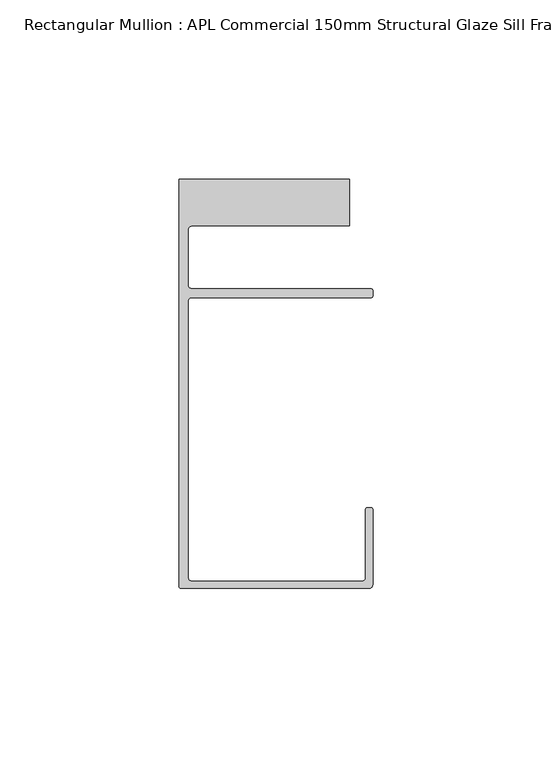
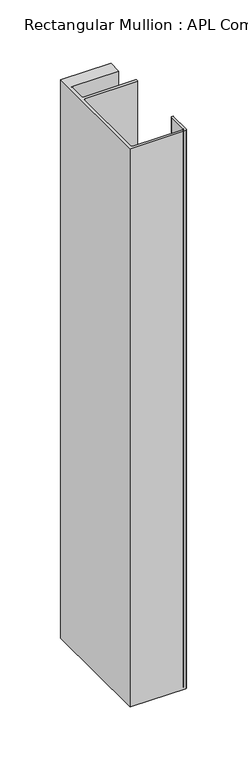
"""IFC4 building model written with IfcOpenShell, lengths in millimetres: member geometry, Rectangular Mullion : APL Commercial 150mm Structural Glaze Sill Frame (Back)."""

from ifc_helpers import new_model, si_unit, frame, origin, place, context, project, spatial, polyline, circle_curve, source, transform, mapped, element, save
from ifc_brep_helpers import plane_surface, cylinder_surface, revolved_surface, advanced_brep


def rectangular_mullion_apl_commercial_150mm_structural_glaze_94993b0b(model_context):
    return source(origin(), model_context, "Body", "AdvancedBrep", [
        advanced_brep(
        [(-53.5000083, -129.0001071, 0.0), (-1.0000079, -129.0001071, 0.0), (-7.9e-06, -128.0001071, 0.0), (0.0, -107.0001071, 0.0), (-0.5, -106.5001071, 0.0), (-1.4999822, -106.5001071, 0.0), (-1.9999822, -107.0001071, 0.0), (-1.9999982, -126.0001071, 0.0), (-2.9999982, -127.0001071, 0.0), (-50.5000083, -127.00011, 0.0), (-51.5000083, -126.00011, 0.0), (-51.5000225, -48.9999541, 0.0), (-50.482081, -48.000115, 0.0), (-0.5000012, -48.000115, 0.0), (-5.4e-06, -47.5021598, 0.0), (-5.4e-06, -46.0213357, 0.0), (-0.521387, -45.4999541, 0.0), (-50.500032, -45.4999541, 0.0), (-51.500032, -44.4999541, 0.0), (-51.500032, -29.0004332, 0.0), (-50.500032, -28.0004332, 0.0), (-6.5000083, -28.0004332, 0.0), (-6.5000083, -15.0004332, 0.0), (-54.0000083, -15.0004332, 0.0), (-54.0000083, -128.5001071, 0.0), (-53.5000083, -129.0001071, -559.2000713), (-54.0000083, -128.5001071, -559.2000713), (-54.0000083, -15.0004332, -559.2000713), (-6.5000083, -15.0004332, -559.2000713), (-6.5000083, -28.0004332, -559.2000713), (-50.500032, -28.0004332, -559.2000713), (-51.500032, -29.0004332, -559.2000713), (-51.500032, -44.4999541, -559.2000713), (-50.500032, -45.4999541, -559.2000713), (-0.521387, -45.4999541, -559.2000713), (-5.4e-06, -46.0213357, -559.2000713), (-5.4e-06, -47.5021598, -559.2000713), (-0.5000012, -48.000115, -559.2000713), (-50.482081, -48.000115, -559.2000713), (-51.5000225, -48.9999541, -559.2000713), (-51.5000225, -126.00011, -559.2000713), (-50.5000083, -127.00011, -559.2000713), (-2.9999982, -127.00011, -559.2000713), (-1.9999982, -126.0001071, -559.2000713), (-1.9999982, -107.0001071, -559.2000713), (-1.4999822, -106.5001071, -559.2000713), (-0.5, -106.5001071, -559.2000713), (0.0, -107.0001071, -559.2000713), (0.0, -128.0001071, -559.2000713), (-1.0000079, -129.0001071, -559.2000713)],
        [
            (0, 1),
            (1, 2, circle_curve(frame((-1.0000079, -128.0001071, 0.0), z_axis=(0.0, 0.0, 1.0), x_axis=(0.9999999999996143, -8.78371761103865e-07, 0.0)), 1.0)),
            (2, 3),
            (3, 4, circle_curve(frame((-0.5, -107.0001071, 0.0), z_axis=(0.0, 0.0, 1.0), x_axis=(0.0, 1.0, 0.0)), 0.5)),
            (4, 5),
            (5, 6, circle_curve(frame((-1.4999822, -107.0001071, 0.0), z_axis=(0.0, 0.0, 1.0), x_axis=(-1.0, 1.039279773351609e-08, 0.0)), 0.5)),
            (6, 7),
            (7, 8, circle_curve(frame((-2.9999982, -126.0001071, 0.0), z_axis=(0.0, 0.0, -1.0), x_axis=(0.0, -1.0, 0.0)), 1.0)),
            (8, 9),
            (9, 10, circle_curve(frame((-50.5000083, -126.00011, 0.0), z_axis=(0.0, 0.0, -1.0), x_axis=(-1.0, -3.636202450239078e-12, 0.0)), 1.0)),
            (10, 11),
            (11, 12, circle_curve(frame((-50.5000225, -48.9999541, 0.0), z_axis=(0.0, 0.0, -1.0), x_axis=(3.5344775231070867e-06, 0.9999999999937538, 0.0)), 1.0)),
            (12, 13),
            (13, 14, circle_curve(frame((-0.5000012, -47.500115, 0.0), z_axis=(0.0, 0.0, 1.0), x_axis=(0.9999999999999991, 4.5120271963110614e-08, 0.0)), 0.5)),
            (14, 15),
            (15, 16, circle_curve(frame((-0.521387, -46.0213357, 0.0), z_axis=(0.0, 0.0, 1.0), x_axis=(-1.0, 0.0, 0.0)), 0.5213816)),
            (16, 17),
            (17, 18, circle_curve(frame((-50.500032, -44.4999541, 0.0), z_axis=(0.0, 0.0, -1.0), x_axis=(-0.9999999999998819, -4.863123717036027e-07, 0.0)), 1.0)),
            (18, 19),
            (19, 20, circle_curve(frame((-50.500032, -29.0004332, 0.0), z_axis=(0.0, 0.0, -1.0), x_axis=(0.0, 1.0, 0.0)), 1.0)),
            (20, 21),
            (21, 22),
            (22, 23),
            (23, 24),
            (24, 0, circle_curve(frame((-53.5000083, -128.5001071, 0.0), z_axis=(0.0, 0.0, 1.0), x_axis=(0.0, -1.0, 0.0)), 0.5)),
            (25, 26, circle_curve(frame((-53.5000083, -128.5001071, -559.2000713), z_axis=(0.0, 0.0, -1.0), x_axis=(0.0, -1.0, 0.0)), 0.5)),
            (26, 27),
            (27, 28),
            (28, 29),
            (29, 30),
            (30, 31, circle_curve(frame((-50.500032, -29.0004332, -559.2000713), z_axis=(0.0, 0.0, 1.0), x_axis=(0.0, 1.0, 0.0)), 1.0)),
            (31, 32),
            (32, 33, circle_curve(frame((-50.500032, -44.4999541, -559.2000713), z_axis=(0.0, 0.0, 1.0), x_axis=(-0.9999999999998819, -4.863123717036027e-07, 0.0)), 1.0)),
            (33, 34),
            (34, 35, circle_curve(frame((-0.521387, -46.0213357, -559.2000713), z_axis=(0.0, 0.0, -1.0), x_axis=(-1.0, 0.0, 0.0)), 0.5213816)),
            (35, 36),
            (36, 37, circle_curve(frame((-0.5000012, -47.500115, -559.2000713), z_axis=(0.0, 0.0, -1.0), x_axis=(0.9999999999999991, 4.5120271963110614e-08, 0.0)), 0.5)),
            (37, 38),
            (38, 39, circle_curve(frame((-50.5000225, -48.9999541, -559.2000713), z_axis=(0.0, 0.0, 1.0), x_axis=(3.5344775231070867e-06, 0.9999999999937538, 0.0)), 1.0)),
            (39, 40),
            (40, 41, circle_curve(frame((-50.5000083, -126.00011, -559.2000713), z_axis=(0.0, 0.0, 1.0), x_axis=(-1.0, -3.636202450239078e-12, 0.0)), 1.0)),
            (41, 42),
            (42, 43, circle_curve(frame((-2.9999982, -126.0001071, -559.2000713), z_axis=(0.0, 0.0, 1.0), x_axis=(0.0, -1.0, 0.0)), 1.0)),
            (43, 44),
            (44, 45, circle_curve(frame((-1.4999822, -107.0001071, -559.2000713), z_axis=(0.0, 0.0, -1.0), x_axis=(-1.0, 1.039279773351609e-08, 0.0)), 0.5)),
            (45, 46),
            (46, 47, circle_curve(frame((-0.5, -107.0001071, -559.2000713), z_axis=(0.0, 0.0, -1.0), x_axis=(0.0, 1.0, 0.0)), 0.5)),
            (47, 48),
            (48, 49, circle_curve(frame((-1.0000079, -128.0001071, -559.2000713), z_axis=(0.0, 0.0, -1.0), x_axis=(0.9999999999996143, -8.78371761103865e-07, 0.0)), 1.0)),
            (49, 25),
            (0, 25),
            (49, 1),
            (48, 2),
            (14, 36),
            (35, 15),
            (34, 16),
            (33, 17),
            (32, 18),
            (31, 19),
            (30, 20),
            (29, 21),
            (28, 22),
            (27, 23),
            (26, 24),
            (47, 3),
            (46, 4),
            (45, 5),
            (44, 6),
            (43, 7),
            (42, 8),
            (41, 9),
            (40, 10),
            (39, 11),
            (38, 12),
            (37, 13),
        ],
        [
            plane_surface(frame((0.0, -139.6548314, 0.0), z_axis=(0.0, 0.0, 1.0), x_axis=(-1.0, 0.0, 0.0))),
            plane_surface(frame((0.0, -139.6548314, -559.2000713), z_axis=(0.0, 0.0, -1.0), x_axis=(-1.0, 0.0, 0.0))),
            plane_surface(frame((-53.5000083, -129.0001071, 0.0), z_axis=(0.0, -1.0, 0.0), x_axis=(0.0, 0.0, -1.0))),
            cylinder_surface(frame((-1.0000079, -128.0001071, 0.0), z_axis=(0.0, 0.0, 1.0000000000000002), x_axis=(0.9999999999996143, -8.78371761103865e-07, 0.0)), 1.0),
            plane_surface(frame((-5.4e-06, -47.5021598, 0.0), z_axis=(1.0, 0.0, 0.0), x_axis=(0.0, 0.0, -1.0))),
            cylinder_surface(frame((-0.521387, -46.0213357, 0.0), z_axis=(0.0, 0.0, 1.0), x_axis=(-1.0, 0.0, 0.0)), 0.5213816),
            plane_surface(frame((-0.521387, -45.4999541, 0.0), z_axis=(0.0, 1.0, 0.0), x_axis=(0.0, 0.0, -1.0))),
            revolved_surface(polyline([(-51.50003199999988, -44.49995458631237, -559.2000713000002), (-51.50003199999988, -44.49995458631237, 0.0)]), (-50.500032, -44.4999541, 0.0), (0.0, 0.0, -1.0000000000000002)),
            plane_surface(frame((-51.500032, -44.4999541, 0.0), z_axis=(1.0, 0.0, 0.0), x_axis=(0.0, 0.0, -1.0))),
            revolved_surface(polyline([(-50.500032, -28.0004332, -559.2000713), (-50.500032, -28.0004332, 0.0)]), (-50.500032, -29.0004332, 0.0), (0.0, 0.0, -1.0)),
            plane_surface(frame((-50.500032, -28.0004332, 0.0), z_axis=(0.0, -1.0, 0.0), x_axis=(0.0, 0.0, -1.0))),
            plane_surface(frame((-6.5000083, -28.0004332, 0.0), z_axis=(1.0, 0.0, 0.0), x_axis=(0.0, 0.0, -1.0))),
            plane_surface(frame((-6.5000083, -15.0004332, 0.0), z_axis=(0.0, 1.0, 0.0), x_axis=(0.0, 0.0, -1.0))),
            plane_surface(frame((-54.0000083, -15.0004332, 0.0), z_axis=(-1.0, 0.0, 0.0), x_axis=(0.0, 0.0, -1.0))),
            cylinder_surface(frame((-53.5000083, -128.5001071, 0.0), z_axis=(0.0, 0.0, 1.0), x_axis=(0.0, -1.0, 0.0)), 0.5),
            plane_surface(frame((0.0, -128.0001071, 0.0), z_axis=(1.0, 0.0, 0.0), x_axis=(0.0, 0.0, -1.0))),
            cylinder_surface(frame((-0.5, -107.0001071, 0.0), z_axis=(0.0, 0.0, 1.0), x_axis=(0.0, 1.0, 0.0)), 0.5),
            plane_surface(frame((-0.5, -106.5001071, 0.0), z_axis=(0.0, 1.0, 0.0), x_axis=(0.0, 0.0, -1.0))),
            cylinder_surface(frame((-1.4999822, -107.0001071, 0.0), z_axis=(0.0, 0.0, 1.0), x_axis=(-1.0, 1.039279773351609e-08, 0.0)), 0.5),
            plane_surface(frame((-1.9999982, -107.0001071, 0.0), z_axis=(-1.0, 0.0, 0.0), x_axis=(0.0, 0.0, -1.0))),
            revolved_surface(polyline([(-2.9999982, -127.0001071, -559.2000713), (-2.9999982, -127.0001071, 0.0)]), (-2.9999982, -126.0001071, 0.0), (0.0, 0.0, -1.0)),
            plane_surface(frame((-2.9999982, -127.00011, 0.0), z_axis=(0.0, 1.0, 0.0), x_axis=(0.0, 0.0, -1.0))),
            revolved_surface(polyline([(-51.5000083, -126.00011000000364, -559.2000713), (-51.5000083, -126.00011000000364, 0.0)]), (-50.5000083, -126.00011, 0.0), (0.0, 0.0, -1.0)),
            plane_surface(frame((-51.5000225, -126.00011, 0.0), z_axis=(1.0, 0.0, 0.0), x_axis=(0.0, 0.0, -1.0))),
            revolved_surface(polyline([(-50.50001896552248, -47.99995410000624, -559.2000713), (-50.50001896552248, -47.99995410000624, 0.0)]), (-50.5000225, -48.9999541, 0.0), (0.0, 0.0, -1.0)),
            plane_surface(frame((-50.482081, -48.000115, 0.0), z_axis=(0.0, -1.0, 0.0), x_axis=(0.0, 0.0, -1.0))),
            cylinder_surface(frame((-0.5000012, -47.500115, 0.0), z_axis=(0.0, 0.0, 1.0000000000000002), x_axis=(0.9999999999999991, 4.5120271963110614e-08, 0.0)), 0.5),
        ],
        [
            (0, [[1, 2, 3, 4, 5, 6, 7, 8, 9, 10, 11, 12, 13, 14, 15, 16, 17, 18, 19, 20, 21, 22, 23, 24, 25]]),
            (1, [[26, 27, 28, 29, 30, 31, 32, 33, 34, 35, 36, 37, 38, 39, 40, 41, 42, 43, 44, 45, 46, 47, 48, 49, 50]]),
            (2, [[-1, 51, -50, 52]]),
            (3, [[-2, -52, -49, 53]]),
            (4, [[-15, 54, -36, 55]]),
            (5, [[-16, -55, -35, 56]]),
            (6, [[-17, -56, -34, 57]]),
            (7, [[-18, -57, -33, 58]]),
            (8, [[-19, -58, -32, 59]]),
            (9, [[-20, -59, -31, 60]]),
            (10, [[-21, -60, -30, 61]]),
            (11, [[-22, -61, -29, 62]]),
            (12, [[-23, -62, -28, 63]]),
            (13, [[-24, -63, -27, 64]]),
            (14, [[-25, -64, -26, -51]]),
            (15, [[-3, -53, -48, 65]]),
            (16, [[-4, -65, -47, 66]]),
            (17, [[-5, -66, -46, 67]]),
            (18, [[-6, -67, -45, 68]]),
            (19, [[-7, -68, -44, 69]]),
            (20, [[-8, -69, -43, 70]]),
            (21, [[-9, -70, -42, 71]]),
            (22, [[-10, -71, -41, 72]]),
            (23, [[-11, -72, -40, 73]]),
            (24, [[-12, -73, -39, 74]]),
            (25, [[-13, -74, -38, 75]]),
            (26, [[-14, -75, -37, -54]]),
        ],
    ),
    ])


if __name__ == "__main__":
    model = new_model("IFC4")
    model_context = context("Model", 3, world=origin())
    ifc_project = project(units=[si_unit("LENGTHUNIT", "METRE", prefix="MILLI")], contexts=[model_context])
    site = spatial("IfcSite", under=ifc_project)
    building = spatial("IfcBuilding", under=site)
    placement = place(None, origin())
    rectangular_mullion_apl_commercial_150mm_structural_glaze_shape = rectangular_mullion_apl_commercial_150mm_structural_glaze_94993b0b(model_context)
    element("IfcMember", 1, ObjectType="Rectangular Mullion : APL Commercial 150mm Structural Glaze Sill Frame (Back)", at=placement, inside=building, context=model_context, shape_type="MappedRepresentation", body=[
        mapped(rectangular_mullion_apl_commercial_150mm_structural_glaze_shape, transform((0.0, 0.0, 0.0), x_axis=(1.0, 0.0, 0.0), y_axis=(0.0, 1.0, 0.0), z_axis=(0.0, 0.0, 1.0))),
    ])
    save(model, "model.ifc")
